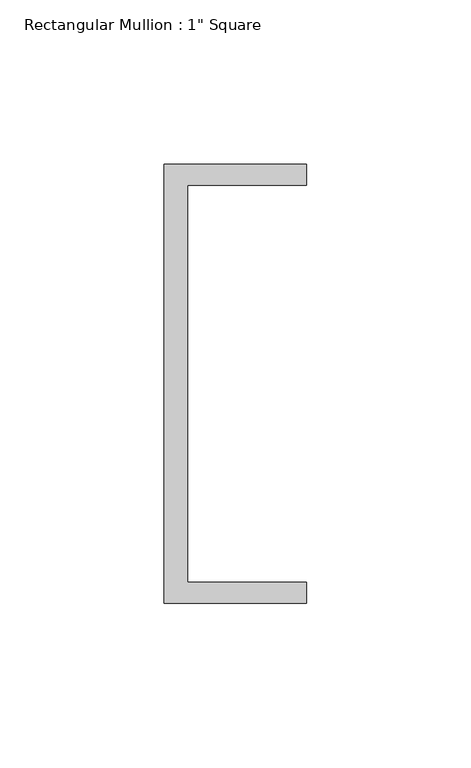
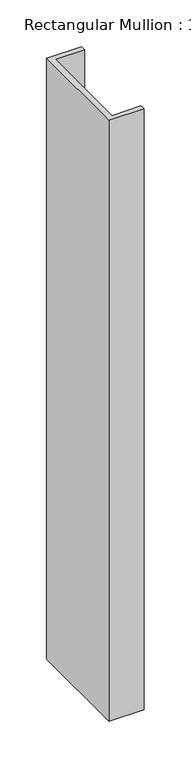
"""IFC4 building model written with IfcOpenShell, lengths in millimetres: member geometry."""

from ifc_helpers import new_model, si_unit, frame, origin, place, context, project, spatial, polyline, outline, extrude, source, transform, mapped, element, save


def member_964ebb08(model_context):
    return source(origin(), model_context, "Body", "SweptSolid", [
        extrude(outline(polyline([(-18.6549463, 135.2608739), (24.5675083, 135.2608739), (24.5675083, 128.9108739), (-11.6110886, 128.9108739), (-11.6110886, 8.2608739), (24.5675083, 8.2608739), (24.5675083, 1.9108739), (-18.6549463, 1.9108739), (-18.6549463, 135.2608739)])), frame((0.0, 0.0, -782.9941076), z_axis=(0.0, 0.0, 1.0), x_axis=(1.0, 0.0, 0.0)), (0.0, 0.0, 1.0), 782.9941076),
    ])


if __name__ == "__main__":
    model = new_model("IFC4")
    model_context = context("Model", 3, world=origin())
    ifc_project = project(units=[si_unit("LENGTHUNIT", "METRE", prefix="MILLI")], contexts=[model_context])
    site = spatial("IfcSite", under=ifc_project)
    building = spatial("IfcBuilding", under=site)
    placement = place(None, origin())
    member_shape = member_964ebb08(model_context)
    element("IfcMember", 1, ObjectType="Rectangular Mullion : 1\" Square", at=placement, inside=building, context=model_context, shape_type="MappedRepresentation", body=[
        mapped(member_shape, transform((0.0, 0.0, 0.0), x_axis=(1.0, 0.0, 0.0), y_axis=(0.0, 1.0, 0.0), z_axis=(0.0, 0.0, 1.0))),
    ])
    save(model, "model.ifc")
